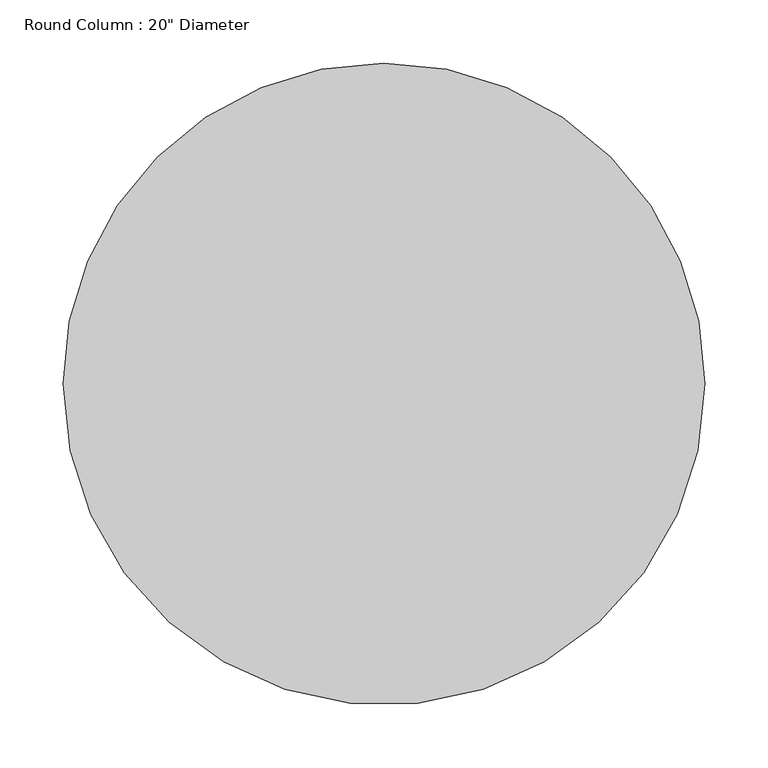
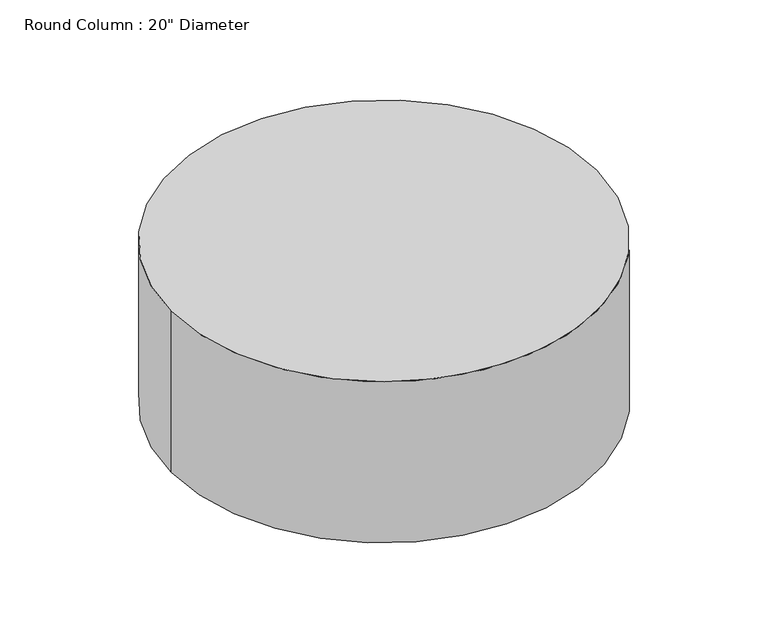
"""IFC4 building model written with IfcOpenShell, lengths in millimetres: column geometry."""

from ifc_helpers import new_model, si_unit, point, frame, origin, origin_2d, place, context, project, spatial, circle_curve, trimmed, segment, composite_curve, outline, extrude, source, transform, mapped, element, save


def column_24daf6fa(model_context):
    return source(origin(), model_context, "Body", "SweptSolid", [
        extrude(outline(composite_curve([segment(trimmed(circle_curve(origin_2d(), 254.0), [point((254.0, 0.0))], [point((-254.0, 0.0))], False, "CARTESIAN"), True, "CONTINUOUS"), segment(trimmed(circle_curve(origin_2d(), 254.0), [point((-254.0, 0.0))], [point((0.0, 254.0))], False, "CARTESIAN"), True, "CONTINUOUS"), segment(trimmed(circle_curve(origin_2d(), 254.0), [point((0.0, 254.0))], [point((254.0, 0.0))], False, "CARTESIAN"), True, "CONTINUOUS")], self_intersect=False)), frame((0.0, 0.0, 1416.05), z_axis=(0.0, 0.0, 1.0), x_axis=(1.0, 0.0, 0.0)), (0.0, 0.0, 1.0), 203.2),
    ])


if __name__ == "__main__":
    model = new_model("IFC4")
    model_context = context("Model", 3, world=origin())
    ifc_project = project(units=[si_unit("LENGTHUNIT", "METRE", prefix="MILLI")], contexts=[model_context])
    site = spatial("IfcSite", under=ifc_project)
    building = spatial("IfcBuilding", under=site)
    placement = place(None, origin())
    column_shape = column_24daf6fa(model_context)
    element("IfcColumn", 1, ObjectType="Round Column : 20\" Diameter", at=placement, inside=building, context=model_context, shape_type="MappedRepresentation", body=[
        mapped(column_shape, transform((0.0, 0.0, 0.0), x_axis=(1.0, 0.0, 0.0), y_axis=(0.0, 1.0, 0.0), z_axis=(0.0, 0.0, 1.0))),
    ])
    save(model, "model.ifc")
